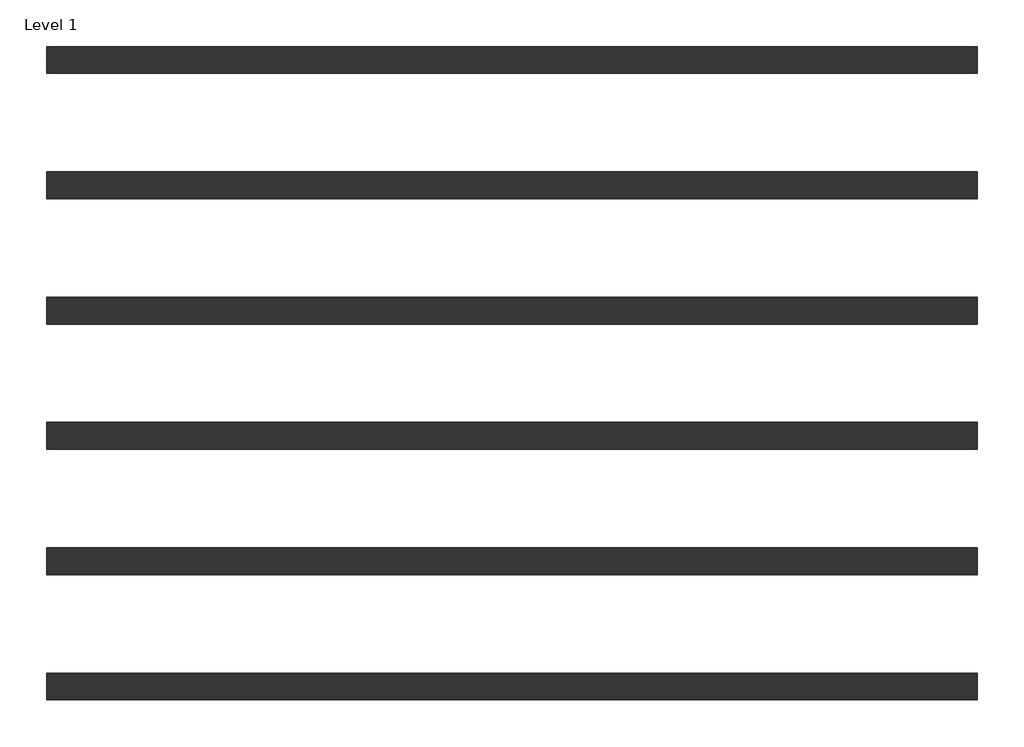
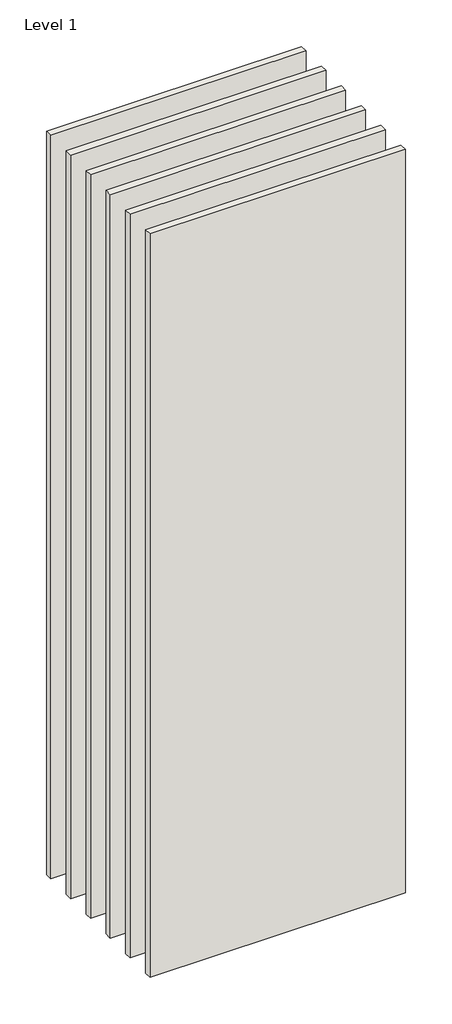
# One storey: 6 walls.
"""IFC4 building model written with IfcOpenShell, lengths in millimetres."""

from ifc_helpers import new_model, si_unit, origin, origin_with_axes, place, context, project, spatial, polyline, outline, extrude, element, save

model = new_model("IFC4")

# Units and contexts
model_context = context("Model", 3, world=origin())
ifc_project = project(units=[si_unit("LENGTHUNIT", "METRE", prefix="MILLI")], contexts=[model_context])

# Site, building, storey
site = spatial("IfcSite", under=ifc_project)
building = spatial("IfcBuilding", under=site)
storey = spatial("IfcBuildingStorey", under=building, Name="Level 1", Elevation=0.0)

# Walls
placement = place(None, origin())
element("IfcWall", 1, at=placement, inside=storey, context=model_context, shape_type="SweptSolid", body=[
    extrude(outline(polyline([(-16904.1464237, 6848.9042935), (-19504.1464237, 6848.9042935), (-19504.1464237, 6923.9042935), (-16904.1464237, 6923.9042935), (-16904.1464237, 6848.9042935)])), origin_with_axes(), (0.0, 0.0, 1.0), 8000.0),
])
element("IfcWall", 2, at=placement, inside=storey, context=model_context, shape_type="SweptSolid", body=[
    extrude(outline(polyline([(-16904.1464237, 5448.9042935), (-19504.1464237, 5448.9042935), (-19504.1464237, 5523.9042935), (-16904.1464237, 5523.9042935), (-16904.1464237, 5448.9042935)])), origin_with_axes(), (0.0, 0.0, 1.0), 8000.0),
])
element("IfcWall", 3, at=placement, inside=storey, context=model_context, shape_type="SweptSolid", body=[
    extrude(outline(polyline([(-16904.1464237, 6498.9042935), (-19504.1464237, 6498.9042935), (-19504.1464237, 6573.9042935), (-16904.1464237, 6573.9042935), (-16904.1464237, 6498.9042935)])), origin_with_axes(), (0.0, 0.0, 1.0), 8000.0),
])
element("IfcWall", 4, at=placement, inside=storey, context=model_context, shape_type="SweptSolid", body=[
    extrude(outline(polyline([(-16904.1464237, 6148.9042935), (-19504.1464237, 6148.9042935), (-19504.1464237, 6223.9042935), (-16904.1464237, 6223.9042935), (-16904.1464237, 6148.9042935)])), origin_with_axes(), (0.0, 0.0, 1.0), 8000.0),
])
element("IfcWall", 5, at=placement, inside=storey, context=model_context, shape_type="SweptSolid", body=[
    extrude(outline(polyline([(-16904.1464237, 5798.9042935), (-19504.1464237, 5798.9042935), (-19504.1464237, 5873.9042935), (-16904.1464237, 5873.9042935), (-16904.1464237, 5798.9042935)])), origin_with_axes(), (0.0, 0.0, 1.0), 8000.0),
])
element("IfcWall", 6, at=placement, inside=storey, context=model_context, shape_type="SweptSolid", body=[
    extrude(outline(polyline([(-16904.1464237, 5098.9042935), (-19504.1464237, 5098.9042935), (-19504.1464237, 5173.9042935), (-16904.1464237, 5173.9042935), (-16904.1464237, 5098.9042935)])), origin_with_axes(), (0.0, 0.0, 1.0), 8000.0),
])

save(model, "model.ifc")
